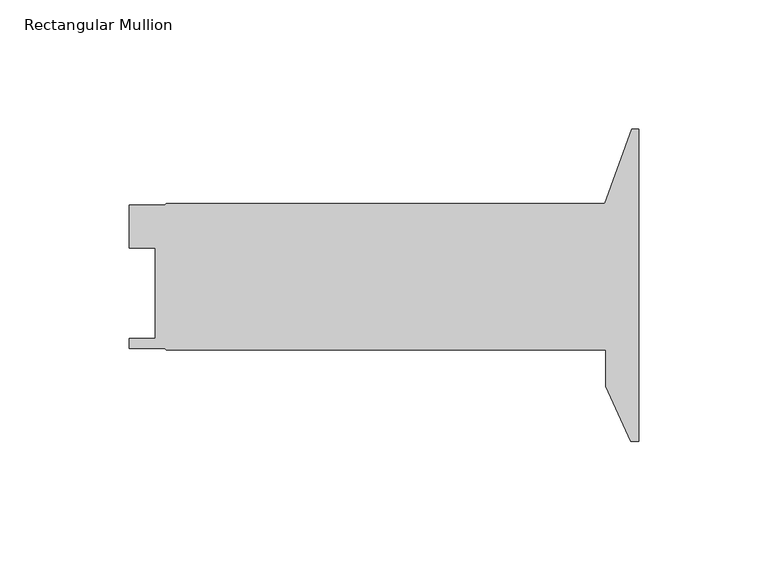
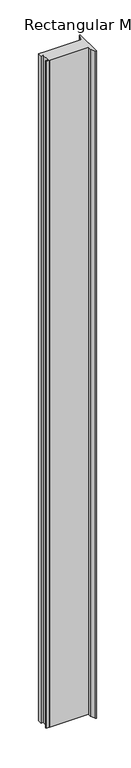
"""IFC4 building model written with IfcOpenShell, lengths in millimetres: member geometry, Rectangular Mullion."""

from ifc_helpers import new_model, si_unit, frame, origin, place, context, project, spatial, polyline, outline, extrude, source, transform, mapped, element, save


def rectangular_mullion_66b58617(model_context):
    return source(origin(), model_context, "Body", "SweptSolid", [
        extrude(outline(polyline([(-13.1649776, 28.2448), (-2.6720797, 57.0738), (0.0, 57.0738), (0.0, -63.576327), (-2.9560102, -63.576327), (-12.7637409, -42.3252687), (-12.7637409, -28.2448), (-182.5625, -28.2448), (-183.224518, -27.78125), (-196.85, -27.78125), (-196.85, -23.9398902), (-186.8173005, -23.812894), (-186.8173005, 11.1252002), (-196.8372998, 11.1252002), (-196.8372998, 27.7876001), (-183.2154491, 27.7876001), (-182.5625, 28.2448), (-13.1649776, 28.2448)])), frame((0.0, 0.0, -3048.0), z_axis=(0.0, 0.0, 1.0), x_axis=(1.0, 0.0, 0.0)), (0.0, 0.0, 1.0), 3048.0),
    ])


if __name__ == "__main__":
    model = new_model("IFC4")
    model_context = context("Model", 3, world=origin())
    ifc_project = project(units=[si_unit("LENGTHUNIT", "METRE", prefix="MILLI")], contexts=[model_context])
    site = spatial("IfcSite", under=ifc_project)
    building = spatial("IfcBuilding", under=site)
    placement = place(None, origin())
    rectangular_mullion_shape = rectangular_mullion_66b58617(model_context)
    element("IfcMember", 1, ObjectType="Rectangular Mullion", at=placement, inside=building, context=model_context, shape_type="MappedRepresentation", body=[
        mapped(rectangular_mullion_shape, transform((0.0, 0.0, 0.0), x_axis=(1.0, 0.0, 0.0), y_axis=(0.0, 1.0, 0.0), z_axis=(0.0, 0.0, 1.0))),
    ])
    save(model, "model.ifc")
